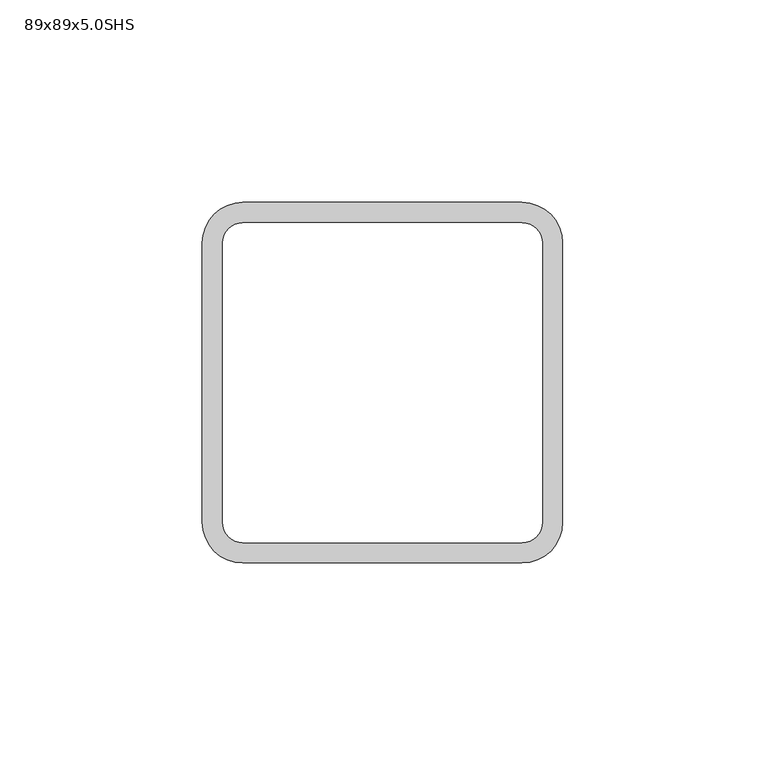
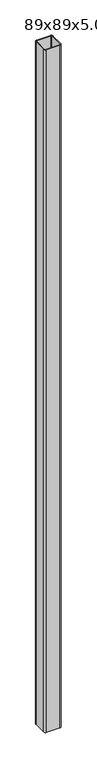
"""IFC4 building model written with IfcOpenShell, lengths in millimetres: column geometry, 89x89x5.0SHS."""

from ifc_helpers import new_model, si_unit, point, frame_2d, origin, origin_with_axes, place, context, project, spatial, polyline, circle_curve, trimmed, segment, composite_curve, outline, extrude, source, transform, mapped, element, save


def column_89x89x5_0shs_f2e36c94(model_context):
    return source(origin(), model_context, "Body", "SweptSolid", [
        extrude(outline(composite_curve([segment(trimmed(circle_curve(frame_2d((34.5, 34.5)), 10.0), [point((34.5, 44.5))], [point((44.5, 34.5))], False, "CARTESIAN"), True, "CONTINUOUS"), segment(polyline([(44.5, 34.5), (44.5, -34.5)]), True, "CONTINUOUS"), segment(trimmed(circle_curve(frame_2d((34.5, -34.5)), 10.0), [point((44.5, -34.5))], [point((34.5, -44.5))], False, "CARTESIAN"), True, "CONTINUOUS"), segment(polyline([(34.5, -44.5), (-34.5, -44.5)]), True, "CONTINUOUS"), segment(trimmed(circle_curve(frame_2d((-34.5, -34.5)), 10.0), [point((-34.5, -44.5))], [point((-44.5, -34.5))], False, "CARTESIAN"), True, "CONTINUOUS"), segment(polyline([(-44.5, -34.5), (-44.5, 34.5)]), True, "CONTINUOUS"), segment(trimmed(circle_curve(frame_2d((-34.5, 34.5)), 10.0), [point((-44.5, 34.5))], [point((-34.5, 44.5))], False, "CARTESIAN"), True, "CONTINUOUS"), segment(polyline([(-34.5, 44.5), (34.5, 44.5)]), True, "CONTINUOUS")], self_intersect=False), holes=[composite_curve([segment(polyline([(34.5, 39.5), (-34.5, 39.5)]), True, "CONTINUOUS"), segment(trimmed(circle_curve(frame_2d((-34.5, 34.5)), 5.0), [point((-34.5, 39.5))], [point((-39.5, 34.5))], True, "CARTESIAN"), True, "CONTINUOUS"), segment(polyline([(-39.5, 34.5), (-39.5, -34.5)]), True, "CONTINUOUS"), segment(trimmed(circle_curve(frame_2d((-34.5, -34.5)), 5.0), [point((-39.5, -34.5))], [point((-34.5, -39.5))], True, "CARTESIAN"), True, "CONTINUOUS"), segment(polyline([(-34.5, -39.5), (34.5, -39.5)]), True, "CONTINUOUS"), segment(trimmed(circle_curve(frame_2d((34.5, -34.5)), 5.0), [point((34.5, -39.5))], [point((39.5, -34.5))], True, "CARTESIAN"), True, "CONTINUOUS"), segment(polyline([(39.5, -34.5), (39.5, 34.5)]), True, "CONTINUOUS"), segment(trimmed(circle_curve(frame_2d((34.5, 34.5)), 5.0), [point((39.5, 34.5))], [point((34.5, 39.5))], True, "CARTESIAN"), True, "CONTINUOUS")], self_intersect=False)]), origin_with_axes(), (0.0, 0.0, 1.0), 3705.0),
    ])


if __name__ == "__main__":
    model = new_model("IFC4")
    model_context = context("Model", 3, world=origin())
    ifc_project = project(units=[si_unit("LENGTHUNIT", "METRE", prefix="MILLI")], contexts=[model_context])
    site = spatial("IfcSite", under=ifc_project)
    building = spatial("IfcBuilding", under=site)
    placement = place(None, origin())
    column_89x89x5_0shs_shape = column_89x89x5_0shs_f2e36c94(model_context)
    element("IfcColumn", 1, ObjectType="89x89x5.0SHS", at=placement, inside=building, context=model_context, shape_type="MappedRepresentation", body=[
        mapped(column_89x89x5_0shs_shape, transform((0.0, 0.0, 0.0), x_axis=(1.0, 0.0, 0.0), y_axis=(0.0, 1.0, 0.0), z_axis=(0.0, 0.0, 1.0))),
    ])
    save(model, "model.ifc")
